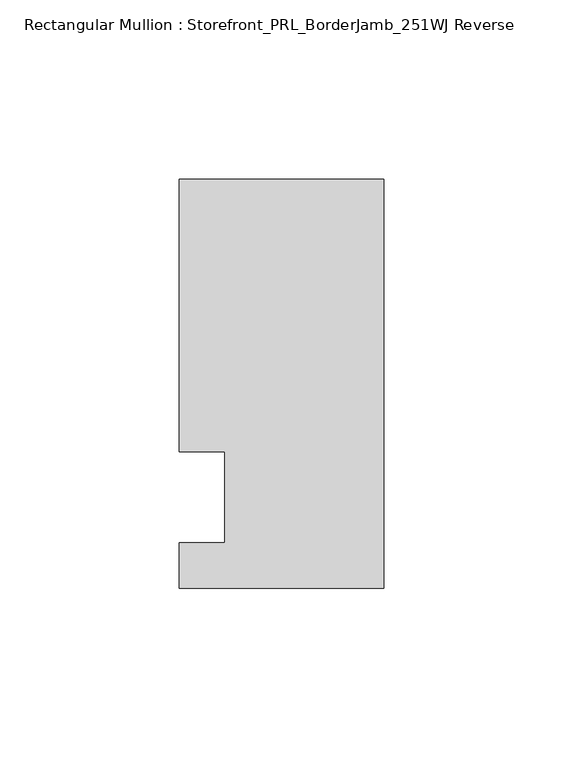
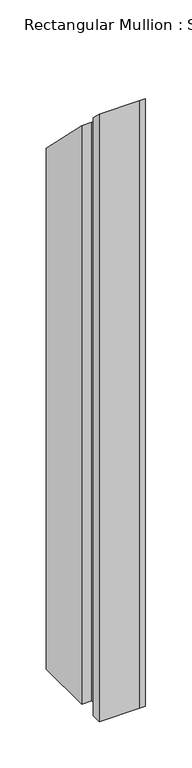
"""IFC4 building model written with IfcOpenShell, lengths in millimetres: member geometry, Rectangular Mullion : Storefront_PRL_BorderJamb_251WJ Reverse."""

from ifc_helpers import new_model, si_unit, origin, place, context, project, spatial, faceted_brep, source, transform, mapped, element, save


def rectangular_mullion_storefront_prl_borderjamb_251wj_reverse_1e1e434a(model_context):
    return source(origin(), model_context, "Body", "Brep", [
        faceted_brep([(-44.45, 12.7, -774.7), (-57.15, 12.7, -774.7), (-57.15, 88.9, -774.7), (-6.35, 88.9, -774.7), (0.0, 88.9, -774.7), (0.0, -25.4, -774.7), (-7.3958824, -25.4, -774.7), (-57.15, -25.4, -774.7), (-57.15, -12.7, -774.7), (-44.45, -12.7, -774.7), (-44.45, -12.7, 12.7), (-44.45, 12.7, -12.7), (-57.15, -12.7, 12.7), (-57.15, -25.4, 25.4), (-7.3958824, -25.4, 25.4), (0.0, -25.4, 25.4), (0.0, 88.9, -88.9), (-6.35, 88.9, -88.9), (-57.15, 88.9, -88.9), (-57.15, 12.7, -12.7)], [[[0, 1, 2, 3, 4, 5, 6, 7, 8, 9]], [[10, 11, 0, 9]], [[12, 10, 9, 8]], [[13, 12, 8, 7]], [[14, 13, 7, 6]], [[15, 14, 6, 5]], [[16, 15, 5, 4]], [[17, 16, 4, 3]], [[18, 17, 3, 2]], [[19, 18, 2, 1]], [[11, 19, 1, 0]], [[11, 10, 12, 13, 14, 15, 16, 17, 18, 19]]]),
    ])


if __name__ == "__main__":
    model = new_model("IFC4")
    model_context = context("Model", 3, world=origin())
    ifc_project = project(units=[si_unit("LENGTHUNIT", "METRE", prefix="MILLI")], contexts=[model_context])
    site = spatial("IfcSite", under=ifc_project)
    building = spatial("IfcBuilding", under=site)
    placement = place(None, origin())
    rectangular_mullion_storefront_prl_borderjamb_251wj_reverse_shape = rectangular_mullion_storefront_prl_borderjamb_251wj_reverse_1e1e434a(model_context)
    element("IfcMember", 1, ObjectType="Rectangular Mullion : Storefront_PRL_BorderJamb_251WJ Reverse", at=placement, inside=building, context=model_context, shape_type="MappedRepresentation", body=[
        mapped(rectangular_mullion_storefront_prl_borderjamb_251wj_reverse_shape, transform((0.0, 0.0, 0.0), x_axis=(1.0, 0.0, 0.0), y_axis=(0.0, 1.0, 0.0), z_axis=(0.0, 0.0, 1.0))),
    ])
    save(model, "model.ifc")
